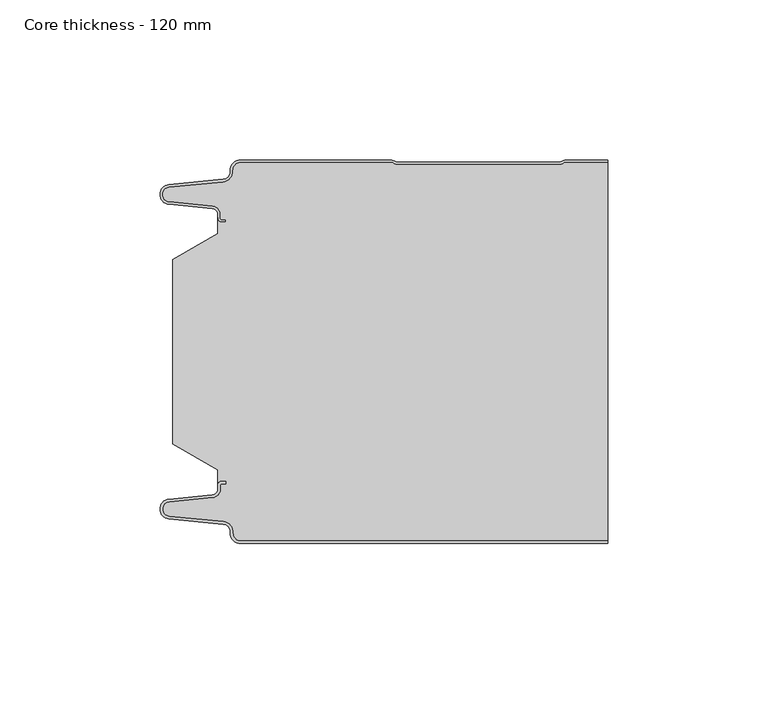
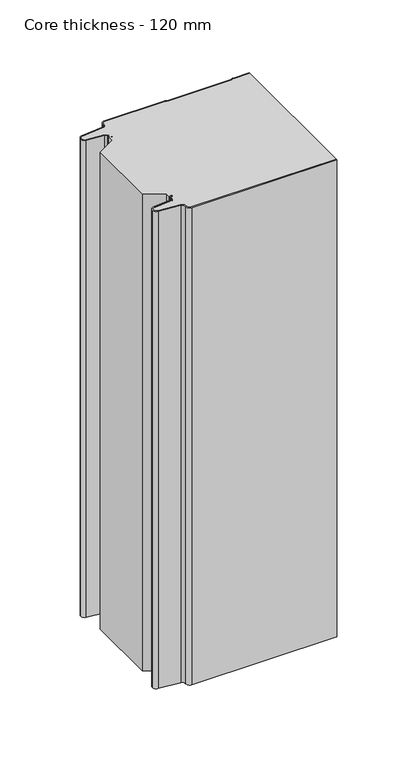
"""IFC4 building model written with IfcOpenShell, lengths in millimetres: plate geometry, Core thickness - 120 mm."""

from ifc_helpers import new_model, si_unit, frame, origin, place, context, project, spatial, polyline, circle_curve, source, transform, mapped, element, save
from ifc_brep_helpers import plane_surface, cylinder_surface, revolved_surface, advanced_brep


def core_thickness_120_mm_09786dd6(model_context):
    return source(origin(), model_context, "Body", "AdvancedBrep", [
        advanced_brep(
        [(-44.8000003, -119.9996949, 0.0), (-47.9923632, -116.5787437, 0.0), (-50.2560431, -113.9171154, 0.0), (-67.2115315, -112.2546153, 0.0), (-69.9999998, -109.1776715, 0.0), (-67.2115315, -106.1007278, 0.0), (-53.6195785, -104.7680252, 0.0), (-51.9952277, -102.9766159, 0.0), (-51.9952277, -101.8996949, 0.0), (-50.5952277, -100.4996949, 0.0), (-49.4952277, -100.4996949, 0.0), (-49.4952277, -101.2996949, 0.0), (-50.5952277, -101.2996949, 0.0), (-51.1952277, -101.8996949, 0.0), (-51.1952277, -102.9766159, 0.0), (-53.5415122, -105.5642071, 0.0), (-67.1334652, -106.8969097, 0.0), (-69.1999997, -109.1776715, 0.0), (-67.1334652, -111.4584333, 0.0), (-50.1779767, -113.1209335, 0.0), (-47.2078761, -116.6330399, 0.0), (-44.8000003, -119.1996949, 0.0), (69.9999998, -119.2, 0.0), (69.9999998, -119.9996949, 0.0), (-44.8000003, -119.1996949, 400.0), (-47.1942724, -116.6339815, 400.0), (-50.1779767, -113.1209335, 400.0), (-67.1334652, -111.4584333, 400.0), (-69.1999997, -109.1776715, 400.0), (-67.1334652, -106.8969097, 400.0), (-53.5415122, -105.5642071, 400.0), (-51.1952277, -102.9766159, 400.0), (-51.1952277, -101.8996949, 400.0), (-50.5952277, -101.2996949, 400.0), (-49.4952277, -101.2996949, 400.0), (-49.4952277, -100.4996949, 400.0), (-50.5952277, -100.4996949, 400.0), (-51.9952277, -101.8996949, 400.0), (-51.9952277, -102.9766159, 400.0), (-53.6195785, -104.7680252, 400.0), (-67.2115315, -106.1007278, 400.0), (-69.9999998, -109.1776715, 400.0), (-67.2115315, -112.2546153, 400.0), (-50.2560431, -113.9171154, 400.0), (-48.0059668, -116.5778021, 400.0), (-44.8000003, -119.9996949, 400.0), (69.9999998, -119.9996949, 400.0), (69.9999998, -119.2, 400.0)],
        [
            (0, 1, circle_curve(frame((-44.8000003, -116.7996949, 0.0), z_axis=(0.0, 0.0, -1.0), x_axis=(1.0, 0.0, 0.0)), 3.2)),
            (1, 2, circle_curve(frame((-50.5000003, -116.4051839, 0.0), z_axis=(0.0, 0.0, 1.0), x_axis=(1.0, 0.0, 0.0)), 2.5)),
            (2, 3),
            (3, 4, circle_curve(frame((-66.9100003, -109.1793626, 0.0), z_axis=(0.0, 0.0, -1.0), x_axis=(1.0, 0.0, 0.0)), 3.09)),
            (4, 5, circle_curve(frame((-66.9100003, -109.1759805, 0.0), z_axis=(0.0, 0.0, -1.0), x_axis=(1.0, 0.0, 0.0)), 3.09)),
            (5, 6),
            (6, 7, circle_curve(frame((-53.7952277, -102.9766159, 0.0), z_axis=(0.0, 0.0, 1.0), x_axis=(1.0, 0.0, 0.0)), 1.8)),
            (7, 8),
            (8, 9, circle_curve(frame((-50.5952277, -101.8996949, 0.0), z_axis=(0.0, 0.0, -1.0), x_axis=(1.0, 0.0, 0.0)), 1.4)),
            (9, 10),
            (10, 11),
            (11, 12),
            (12, 13, circle_curve(frame((-50.5952277, -101.8996949, 0.0), z_axis=(0.0, 0.0, 1.0), x_axis=(1.0, 0.0, 0.0)), 0.6)),
            (13, 14),
            (14, 15, circle_curve(frame((-53.7952277, -102.9766159, 0.0), z_axis=(0.0, 0.0, -1.0), x_axis=(1.0, 0.0, 0.0)), 2.6)),
            (15, 16),
            (16, 17, circle_curve(frame((-66.9100003, -109.1759805, 0.0), z_axis=(0.0, 0.0, 1.0), x_axis=(1.0, 0.0, 0.0)), 2.29)),
            (17, 18, circle_curve(frame((-66.9100003, -109.1793626, 0.0), z_axis=(0.0, 0.0, 1.0), x_axis=(1.0, 0.0, 0.0)), 2.29)),
            (18, 19),
            (19, 20, circle_curve(frame((-50.5000003, -116.4051839, 0.0), z_axis=(0.0, 0.0, -1.0), x_axis=(1.0, 0.0, 0.0)), 3.3)),
            (20, 21, circle_curve(frame((-44.8000003, -116.7996949, 0.0), z_axis=(0.0, 0.0, 1.0), x_axis=(1.0, 0.0, 0.0)), 2.4)),
            (21, 22),
            (22, 23),
            (23, 0),
            (24, 25, circle_curve(frame((-44.8000003, -116.7996949, 400.0), z_axis=(0.0, 0.0, -1.0), x_axis=(1.0, 0.0, 0.0)), 2.4)),
            (25, 26, circle_curve(frame((-50.5000003, -116.4051839, 400.0), z_axis=(0.0, 0.0, 1.0), x_axis=(1.0, 0.0, 0.0)), 3.3)),
            (26, 27),
            (27, 28, circle_curve(frame((-66.9100003, -109.1793626, 400.0), z_axis=(0.0, 0.0, -1.0), x_axis=(1.0, 0.0, 0.0)), 2.29)),
            (28, 29, circle_curve(frame((-66.9100003, -109.1759805, 400.0), z_axis=(0.0, 0.0, -1.0), x_axis=(1.0, 0.0, 0.0)), 2.29)),
            (29, 30),
            (30, 31, circle_curve(frame((-53.7952277, -102.9766159, 400.0), z_axis=(0.0, 0.0, 1.0), x_axis=(1.0, 0.0, 0.0)), 2.6)),
            (31, 32),
            (32, 33, circle_curve(frame((-50.5952277, -101.8996949, 400.0), z_axis=(0.0, 0.0, -1.0), x_axis=(1.0, 0.0, 0.0)), 0.6)),
            (33, 34),
            (34, 35),
            (35, 36),
            (36, 37, circle_curve(frame((-50.5952277, -101.8996949, 400.0), z_axis=(0.0, 0.0, 1.0), x_axis=(1.0, 0.0, 0.0)), 1.4)),
            (37, 38),
            (38, 39, circle_curve(frame((-53.7952277, -102.9766159, 400.0), z_axis=(0.0, 0.0, -1.0), x_axis=(1.0, 0.0, 0.0)), 1.8)),
            (39, 40),
            (40, 41, circle_curve(frame((-66.9100003, -109.1759805, 400.0), z_axis=(0.0, 0.0, 1.0), x_axis=(1.0, 0.0, 0.0)), 3.09)),
            (41, 42, circle_curve(frame((-66.9100003, -109.1793626, 400.0), z_axis=(0.0, 0.0, 1.0), x_axis=(1.0, 0.0, 0.0)), 3.09)),
            (42, 43),
            (43, 44, circle_curve(frame((-50.5000003, -116.4051839, 400.0), z_axis=(0.0, 0.0, -1.0), x_axis=(1.0, 0.0, 0.0)), 2.5)),
            (44, 45, circle_curve(frame((-44.8000003, -116.7996949, 400.0), z_axis=(0.0, 0.0, 1.0), x_axis=(1.0, 0.0, 0.0)), 3.2)),
            (45, 46),
            (46, 47),
            (47, 24),
            (21, 24),
            (47, 22),
            (20, 25),
            (19, 26),
            (18, 27),
            (17, 28),
            (16, 29),
            (15, 30),
            (14, 31),
            (13, 32),
            (12, 33),
            (11, 34),
            (10, 35),
            (9, 36),
            (8, 37),
            (7, 38),
            (6, 39),
            (5, 40),
            (4, 41),
            (3, 42),
            (2, 43),
            (1, 44),
            (0, 45),
            (23, 46),
        ],
        [
            plane_surface(frame((-69.9999998, -120.0, 0.0), z_axis=(0.0, 0.0, -1.0), x_axis=(0.0, 1.0, 0.0))),
            plane_surface(frame((-69.9999998, -120.0, 400.0), z_axis=(0.0, 0.0, 1.0), x_axis=(0.0, 1.0, 0.0))),
            plane_surface(frame((-44.8000003, -119.2, 0.0), z_axis=(0.0, 1.0, 0.0), x_axis=(0.0, 0.0, 1.0))),
            revolved_surface(polyline([(-42.4000003, -116.7996949, 400.0), (-42.4000003, -116.7996949, 0.0)]), (-44.8000003, -116.7996949, 0.0), (0.0, 0.0, 1.0)),
            cylinder_surface(frame((-50.5000003, -116.4051839, 0.0), z_axis=(0.0, 0.0, -1.0), x_axis=(1.0, 0.0, 0.0)), 3.3),
            plane_surface(frame((-67.1334652, -111.4584333, 0.0), z_axis=(0.09758289975914758, 0.9952273999818314, 0.0), x_axis=(0.0, 0.0, 1.0))),
            revolved_surface(polyline([(-64.62000029999999, -109.1793626, 400.0), (-64.62000029999999, -109.1793626, 0.0)]), (-66.9100003, -109.1793626, 0.0), (0.0, 0.0, 1.0)),
            revolved_surface(polyline([(-64.62000029999999, -109.1759805, 400.0), (-64.62000029999999, -109.1759805, 0.0)]), (-66.9100003, -109.1759805, 0.0), (0.0, 0.0, 1.0)),
            plane_surface(frame((-53.5415122, -105.5642071, 0.0), z_axis=(0.09758289975914383, -0.9952273999818317, 0.0), x_axis=(0.0, 0.0, 1.0))),
            cylinder_surface(frame((-53.7952277, -102.9766159, 0.0), z_axis=(0.0, 0.0, -1.0), x_axis=(1.0, 0.0, 0.0)), 2.6),
            plane_surface(frame((-51.1952277, -101.8996949, 0.0), z_axis=(1.0, 0.0, 0.0), x_axis=(0.0, 0.0, 1.0))),
            revolved_surface(polyline([(-49.9952277, -101.8996949, 400.0), (-49.9952277, -101.8996949, 0.0)]), (-50.5952277, -101.8996949, 0.0), (0.0, 0.0, 1.0)),
            plane_surface(frame((-49.4952277, -101.2996949, 0.0), z_axis=(0.0, -1.0, 0.0), x_axis=(0.0, 0.0, 1.0))),
            plane_surface(frame((-49.4952277, -100.4996949, 0.0), z_axis=(1.0, 0.0, 0.0), x_axis=(0.0, 0.0, 1.0))),
            plane_surface(frame((-50.5952277, -100.4996949, 0.0), z_axis=(0.0, 1.0, 0.0), x_axis=(0.0, 0.0, 1.0))),
            cylinder_surface(frame((-50.5952277, -101.8996949, 0.0), z_axis=(0.0, 0.0, -1.0), x_axis=(1.0, 0.0, 0.0)), 1.4),
            plane_surface(frame((-51.9952277, -102.9766159, 0.0), z_axis=(-1.0, 0.0, 0.0), x_axis=(0.0, 0.0, 1.0))),
            revolved_surface(polyline([(-51.9952277, -102.9766159, 400.0), (-51.9952277, -102.9766159, 0.0)]), (-53.7952277, -102.9766159, 0.0), (0.0, 0.0, 1.0)),
            plane_surface(frame((-67.2115315, -106.1007278, 0.0), z_axis=(-0.09758289975914387, 0.9952273999818317, 0.0), x_axis=(0.0, 0.0, 1.0))),
            cylinder_surface(frame((-66.9100003, -109.1759805, 0.0), z_axis=(0.0, 0.0, -1.0), x_axis=(1.0, 0.0, 0.0)), 3.09),
            cylinder_surface(frame((-66.9100003, -109.1793626, 0.0), z_axis=(0.0, 0.0, -1.0), x_axis=(1.0, 0.0, 0.0)), 3.09),
            plane_surface(frame((-50.2560431, -113.9171154, 0.0), z_axis=(-0.09758289975914762, -0.9952273999818314, 0.0), x_axis=(0.0, 0.0, 1.0))),
            revolved_surface(polyline([(-48.0000003, -116.4051839, 400.0), (-48.0000003, -116.4051839, 0.0)]), (-50.5000003, -116.4051839, 0.0), (0.0, 0.0, 1.0)),
            cylinder_surface(frame((-44.8000003, -116.7996949, 0.0), z_axis=(0.0, 0.0, -1.0), x_axis=(1.0, 0.0, 0.0)), 3.2),
            plane_surface(frame((1046.009932, -119.9996949, 0.0), z_axis=(0.0, -1.0, 0.0), x_axis=(0.0, 0.0, 1.0))),
            plane_surface(frame((69.9999998, 180.0, 400.0), z_axis=(1.0, 0.0, 0.0), x_axis=(0.0, 0.0, -1.0))),
        ],
        [
            (0, [[1, 2, 3, 4, 5, 6, 7, 8, 9, 10, 11, 12, 13, 14, 15, 16, 17, 18, 19, 20, 21, 22, 23, 24]]),
            (1, [[25, 26, 27, 28, 29, 30, 31, 32, 33, 34, 35, 36, 37, 38, 39, 40, 41, 42, 43, 44, 45, 46, 47, 48]]),
            (2, [[49, -48, 50, -22]]),
            (3, [[-21, 51, -25, -49]]),
            (4, [[-20, 52, -26, -51]]),
            (5, [[-19, 53, -27, -52]]),
            (6, [[-18, 54, -28, -53]]),
            (7, [[-17, 55, -29, -54]]),
            (8, [[-16, 56, -30, -55]]),
            (9, [[-15, 57, -31, -56]]),
            (10, [[-14, 58, -32, -57]]),
            (11, [[-13, 59, -33, -58]]),
            (12, [[-12, 60, -34, -59]]),
            (13, [[-11, 61, -35, -60]]),
            (14, [[-10, 62, -36, -61]]),
            (15, [[-9, 63, -37, -62]]),
            (16, [[-8, 64, -38, -63]]),
            (17, [[-7, 65, -39, -64]]),
            (18, [[-6, 66, -40, -65]]),
            (19, [[-5, 67, -41, -66]]),
            (20, [[-4, 68, -42, -67]]),
            (21, [[-3, 69, -43, -68]]),
            (22, [[-2, 70, -44, -69]]),
            (23, [[-1, 71, -45, -70]]),
            (24, [[-71, -24, 72, -46]]),
            (25, [[-23, -50, -47, -72]]),
        ],
    ),
        advanced_brep(
        [(-51.9952277, -23.1062917, 400.0), (-66.0446509, -31.1628062, 400.0), (-66.0446509, -88.7531937, 400.0), (-51.9952277, -96.8937083, 400.0), (-51.9952277, -100.4996949, 400.0), (-51.9952277, -101.8996949, 400.0), (-50.5952277, -100.4996949, 400.0), (-49.4952277, -100.4996949, 400.0), (-49.4952277, -101.2996949, 400.0), (-50.5952277, -101.2996949, 400.0), (-51.1952277, -101.8996949, 400.0), (-51.1952277, -102.9766159, 400.0), (-53.5415122, -105.5642071, 400.0), (-67.1334652, -106.8969097, 400.0), (-69.1999997, -109.1776715, 400.0), (-67.1334652, -111.4584333, 400.0), (-50.1779767, -113.1209335, 400.0), (-47.2078761, -116.6330399, 400.0), (-44.8000003, -119.1996949, 400.0), (69.9999998, -119.2, 400.0), (69.9999998, -0.8, 400.0), (57.0487965, -0.8, 400.0), (55.9973806, -1.0986697, 400.0), (54.5769997, -1.5003051, 400.0), (4.4172165, -1.5003051, 400.0), (2.9978051, -1.0971009, 400.0), (1.9454197, -0.8, 400.0), (-44.8000003, -0.8, 400.0), (-47.1942724, -3.3660185, 400.0), (-50.1779767, -6.8790665, 400.0), (-67.1334652, -8.5415667, 400.0), (-69.1999997, -10.8223285, 400.0), (-67.1334652, -13.1030903, 400.0), (-53.5415122, -14.4357929, 400.0), (-51.1952277, -17.0233841, 400.0), (-51.1952277, -18.1003051, 400.0), (-50.5952277, -18.7003051, 400.0), (-49.4952277, -18.7003051, 400.0), (-49.4952277, -19.5003051, 400.0), (-50.5952277, -19.5003051, 400.0), (-51.9952277, -18.1003051, 400.0), (-51.9952277, -19.5003051, 400.0), (-51.9952277, -96.8937083, 0.0), (-66.0446509, -88.7531937, 0.0), (-66.0446509, -31.1628062, 0.0), (-51.9952277, -23.1062917, 0.0), (-51.9952277, -19.5003051, 0.0), (-51.9952277, -18.1003051, 0.0), (-50.5952277, -19.5003051, 0.0), (-49.4952277, -19.5003051, 0.0), (-49.4952277, -18.7003051, 0.0), (-50.5952277, -18.7003051, 0.0), (-51.1952277, -18.1003051, 0.0), (-51.1952277, -17.0233841, 0.0), (-53.5415122, -14.4357929, 0.0), (-67.1334652, -13.1030903, 0.0), (-69.1999997, -10.8223285, 0.0), (-67.1334652, -8.5415667, 0.0), (-50.1779767, -6.8790665, 0.0), (-47.2078761, -3.3669601, 0.0), (-44.8000003, -0.8003051, 0.0), (1.9454197, -0.8, 0.0), (2.9968355, -1.0986697, 0.0), (4.4172165, -1.5003051, 0.0), (54.5769997, -1.5003051, 0.0), (55.9964111, -1.0971009, 0.0), (57.0487965, -0.8, 0.0), (69.9999998, -0.8, 0.0), (69.9999998, -119.2, 0.0), (-44.8000003, -119.2, 0.0), (-47.1942724, -116.6339815, 0.0), (-50.1779767, -113.1209335, 0.0), (-67.1334652, -111.4584333, 0.0), (-69.1999997, -109.1776715, 0.0), (-67.1334652, -106.8969097, 0.0), (-53.5415122, -105.5642071, 0.0), (-51.1952277, -102.9766159, 0.0), (-51.1952277, -101.8996949, 0.0), (-50.5952277, -101.2996949, 0.0), (-49.4952277, -101.2996949, 0.0), (-49.4952277, -100.4996949, 0.0), (-50.5952277, -100.4996949, 0.0), (-51.9952277, -101.8996949, 0.0), (-51.9952277, -100.4996949, 0.0)],
        [
            (0, 1),
            (1, 2),
            (2, 3),
            (3, 4),
            (4, 5),
            (5, 6, circle_curve(frame((-50.5952277, -101.8996949, 400.0), z_axis=(0.0, 0.0, -1.0), x_axis=(1.0, 0.0, 0.0)), 1.4)),
            (6, 7),
            (7, 8),
            (8, 9),
            (9, 10, circle_curve(frame((-50.5952277, -101.8996949, 400.0), z_axis=(0.0, 0.0, 1.0), x_axis=(1.0, 0.0, 0.0)), 0.6)),
            (10, 11),
            (11, 12, circle_curve(frame((-53.7952277, -102.9766159, 400.0), z_axis=(0.0, 0.0, -1.0), x_axis=(1.0, 0.0, 0.0)), 2.6)),
            (12, 13),
            (13, 14, circle_curve(frame((-66.9100003, -109.1759805, 400.0), z_axis=(0.0, 0.0, 1.0), x_axis=(1.0, 0.0, 0.0)), 2.29)),
            (14, 15, circle_curve(frame((-66.9100003, -109.1793626, 400.0), z_axis=(0.0, 0.0, 1.0), x_axis=(1.0, 0.0, 0.0)), 2.29)),
            (15, 16),
            (16, 17, circle_curve(frame((-50.5000003, -116.4051839, 400.0), z_axis=(0.0, 0.0, -1.0), x_axis=(1.0, 0.0, 0.0)), 3.3)),
            (17, 18, circle_curve(frame((-44.8000003, -116.7996949, 400.0), z_axis=(0.0, 0.0, 1.0), x_axis=(1.0, 0.0, 0.0)), 2.4)),
            (18, 19),
            (19, 20),
            (20, 21),
            (21, 22, circle_curve(frame((57.0487965, -2.8, 400.0), z_axis=(0.0, 0.0, 1.0), x_axis=(1.0, 0.0, 0.0)), 2.0)),
            (22, 23, circle_curve(frame((54.5769997, 1.1996949, 400.0), z_axis=(0.0, 0.0, -1.0), x_axis=(1.0, 0.0, 0.0)), 2.7)),
            (23, 24),
            (24, 25, circle_curve(frame((4.4172165, 1.1996949, 400.0), z_axis=(0.0, 0.0, -1.0), x_axis=(1.0, 0.0, 0.0)), 2.7)),
            (25, 26, circle_curve(frame((1.9454197, -2.8, 400.0), z_axis=(0.0, 0.0, 1.0), x_axis=(1.0, 0.0, 0.0)), 2.0)),
            (26, 27),
            (27, 28, circle_curve(frame((-44.8000003, -3.2003051, 400.0), z_axis=(0.0, 0.0, 1.0), x_axis=(1.0, 0.0, 0.0)), 2.4)),
            (28, 29, circle_curve(frame((-50.5000003, -3.5948161, 400.0), z_axis=(0.0, 0.0, -1.0), x_axis=(1.0, 0.0, 0.0)), 3.3)),
            (29, 30),
            (30, 31, circle_curve(frame((-66.9100003, -10.8206374, 400.0), z_axis=(0.0, 0.0, 1.0), x_axis=(1.0, 0.0, 0.0)), 2.29)),
            (31, 32, circle_curve(frame((-66.9100003, -10.8240195, 400.0), z_axis=(0.0, 0.0, 1.0), x_axis=(1.0, 0.0, 0.0)), 2.29)),
            (32, 33),
            (33, 34, circle_curve(frame((-53.7952277, -17.0233841, 400.0), z_axis=(0.0, 0.0, -1.0), x_axis=(1.0, 0.0, 0.0)), 2.6)),
            (34, 35),
            (35, 36, circle_curve(frame((-50.5952277, -18.1003051, 400.0), z_axis=(0.0, 0.0, 1.0), x_axis=(1.0, 0.0, 0.0)), 0.6)),
            (36, 37),
            (37, 38),
            (38, 39),
            (39, 40, circle_curve(frame((-50.5952277, -18.1003051, 400.0), z_axis=(0.0, 0.0, -1.0), x_axis=(1.0, 0.0, 0.0)), 1.4)),
            (40, 41),
            (41, 0),
            (42, 43),
            (43, 44),
            (44, 45),
            (45, 46),
            (46, 47),
            (47, 48, circle_curve(frame((-50.5952277, -18.1003051, 0.0), z_axis=(0.0, 0.0, 1.0), x_axis=(1.0, 0.0, 0.0)), 1.4)),
            (48, 49),
            (49, 50),
            (50, 51),
            (51, 52, circle_curve(frame((-50.5952277, -18.1003051, 0.0), z_axis=(0.0, 0.0, -1.0), x_axis=(1.0, 0.0, 0.0)), 0.6)),
            (52, 53),
            (53, 54, circle_curve(frame((-53.7952277, -17.0233841, 0.0), z_axis=(0.0, 0.0, 1.0), x_axis=(1.0, 0.0, 0.0)), 2.6)),
            (54, 55),
            (55, 56, circle_curve(frame((-66.9100003, -10.8240195, 0.0), z_axis=(0.0, 0.0, -1.0), x_axis=(1.0, 0.0, 0.0)), 2.29)),
            (56, 57, circle_curve(frame((-66.9100003, -10.8206374, 0.0), z_axis=(0.0, 0.0, -1.0), x_axis=(1.0, 0.0, 0.0)), 2.29)),
            (57, 58),
            (58, 59, circle_curve(frame((-50.5000003, -3.5948161, 0.0), z_axis=(0.0, 0.0, 1.0), x_axis=(1.0, 0.0, 0.0)), 3.3)),
            (59, 60, circle_curve(frame((-44.8000003, -3.2003051, 0.0), z_axis=(0.0, 0.0, -1.0), x_axis=(1.0, 0.0, 0.0)), 2.4)),
            (60, 61),
            (61, 62, circle_curve(frame((1.9454197, -2.8, 0.0), z_axis=(0.0, 0.0, -1.0), x_axis=(1.0, 0.0, 0.0)), 2.0)),
            (62, 63, circle_curve(frame((4.4172165, 1.1996949, 0.0), z_axis=(0.0, 0.0, 1.0), x_axis=(1.0, 0.0, 0.0)), 2.7)),
            (63, 64),
            (64, 65, circle_curve(frame((54.5769997, 1.1996949, 0.0), z_axis=(0.0, 0.0, 1.0), x_axis=(1.0, 0.0, 0.0)), 2.7)),
            (65, 66, circle_curve(frame((57.0487965, -2.8, 0.0), z_axis=(0.0, 0.0, -1.0), x_axis=(1.0, 0.0, 0.0)), 2.0)),
            (66, 67),
            (67, 68),
            (68, 69),
            (69, 70, circle_curve(frame((-44.8000003, -116.7996949, 0.0), z_axis=(0.0, 0.0, -1.0), x_axis=(1.0, 0.0, 0.0)), 2.4)),
            (70, 71, circle_curve(frame((-50.5000003, -116.4051839, 0.0), z_axis=(0.0, 0.0, 1.0), x_axis=(1.0, 0.0, 0.0)), 3.3)),
            (71, 72),
            (72, 73, circle_curve(frame((-66.9100003, -109.1793626, 0.0), z_axis=(0.0, 0.0, -1.0), x_axis=(1.0, 0.0, 0.0)), 2.29)),
            (73, 74, circle_curve(frame((-66.9100003, -109.1759805, 0.0), z_axis=(0.0, 0.0, -1.0), x_axis=(1.0, 0.0, 0.0)), 2.29)),
            (74, 75),
            (75, 76, circle_curve(frame((-53.7952277, -102.9766159, 0.0), z_axis=(0.0, 0.0, 1.0), x_axis=(1.0, 0.0, 0.0)), 2.6)),
            (76, 77),
            (77, 78, circle_curve(frame((-50.5952277, -101.8996949, 0.0), z_axis=(0.0, 0.0, -1.0), x_axis=(1.0, 0.0, 0.0)), 0.6)),
            (78, 79),
            (79, 80),
            (80, 81),
            (81, 82, circle_curve(frame((-50.5952277, -101.8996949, 0.0), z_axis=(0.0, 0.0, 1.0), x_axis=(1.0, 0.0, 0.0)), 1.4)),
            (82, 83),
            (83, 42),
            (45, 0),
            (40, 47),
            (1, 44),
            (43, 2),
            (42, 3),
            (82, 5),
            (18, 69),
            (68, 19),
            (17, 70),
            (16, 71),
            (15, 72),
            (14, 73),
            (13, 74),
            (12, 75),
            (11, 76),
            (10, 77),
            (9, 78),
            (8, 79),
            (7, 80),
            (6, 81),
            (60, 27),
            (26, 61),
            (25, 62),
            (24, 63),
            (23, 64),
            (22, 65),
            (21, 66),
            (20, 67),
            (39, 48),
            (38, 49),
            (37, 50),
            (36, 51),
            (35, 52),
            (34, 53),
            (33, 54),
            (32, 55),
            (31, 56),
            (30, 57),
            (29, 58),
            (28, 59),
        ],
        [
            plane_surface(frame((-69.9999998, 0.0, 400.0), z_axis=(0.0, 0.0, 1.0), x_axis=(0.0, -1.0, 0.0))),
            plane_surface(frame((-69.9999998, 0.0, 0.0), z_axis=(0.0, 0.0, -1.0), x_axis=(0.0, -1.0, 0.0))),
            plane_surface(frame((-51.9952277, -17.0229218, 400.0), z_axis=(-1.0, 0.0, 0.0), x_axis=(0.0, 0.0, -1.0))),
            plane_surface(frame((-66.0446509, -31.1628062, 400.0), z_axis=(-1.0, 0.0, 0.0), x_axis=(0.0, 0.0, -1.0))),
            plane_surface(frame((-51.9952277, -23.1062917, 400.0), z_axis=(-0.4974543664933155, 0.8674901459133322, 0.0), x_axis=(0.0, 0.0, -1.0))),
            plane_surface(frame((-66.0446509, -88.7531937, 400.0), z_axis=(-0.5013424225369607, -0.8652489672717164, 0.0), x_axis=(0.0, 0.0, -1.0))),
            plane_surface(frame((-51.9952277, -96.8937083, 400.0), z_axis=(-1.0, 0.0, 0.0), x_axis=(0.0, 0.0, -1.0))),
            plane_surface(frame((1046.009932, -119.2, 530.0), z_axis=(0.0, -1.0, 0.0), x_axis=(0.0, 0.0, -1.0))),
            cylinder_surface(frame((-44.8000003, -116.7996949, 530.0), z_axis=(0.0, 0.0, -1.0), x_axis=(1.0, 0.0, 0.0)), 2.4),
            revolved_surface(polyline([(-47.200000300000006, -116.4051839, 400.0), (-47.200000300000006, -116.4051839, 0.0)]), (-50.5000003, -116.4051839, 530.0), (0.0, 0.0, 1.0)),
            plane_surface(frame((-50.1779767, -113.1209335, 530.0), z_axis=(-0.09758289975914758, -0.9952273999818314, 0.0), x_axis=(0.0, 0.0, -1.0))),
            cylinder_surface(frame((-66.9100003, -109.1793626, 530.0), z_axis=(0.0, 0.0, -1.0), x_axis=(1.0, 0.0, 0.0)), 2.29),
            cylinder_surface(frame((-66.9100003, -109.1759805, 530.0), z_axis=(0.0, 0.0, -1.0), x_axis=(1.0, 0.0, 0.0)), 2.29),
            plane_surface(frame((-67.1334652, -106.8969097, 530.0), z_axis=(-0.09758289975914383, 0.9952273999818317, 0.0), x_axis=(0.0, 0.0, -1.0))),
            revolved_surface(polyline([(-51.1952277, -102.9766159, 400.0), (-51.1952277, -102.9766159, 0.0)]), (-53.7952277, -102.9766159, 530.0), (0.0, 0.0, 1.0)),
            plane_surface(frame((-51.1952277, -102.9766159, 530.0), z_axis=(-1.0, 0.0, 0.0), x_axis=(0.0, 0.0, -1.0))),
            cylinder_surface(frame((-50.5952277, -101.8996949, 530.0), z_axis=(0.0, 0.0, -1.0), x_axis=(1.0, 0.0, 0.0)), 0.6),
            plane_surface(frame((-50.5952277, -101.2996949, 530.0), z_axis=(0.0, 1.0, 0.0), x_axis=(0.0, 0.0, -1.0))),
            plane_surface(frame((-49.4952277, -101.2996949, 530.0), z_axis=(-1.0, 0.0, 0.0), x_axis=(0.0, 0.0, -1.0))),
            plane_surface(frame((-49.4952277, -100.4996949, 530.0), z_axis=(0.0, -1.0, 0.0), x_axis=(0.0, 0.0, -1.0))),
            revolved_surface(polyline([(-49.195227700000004, -101.8996949, 400.0), (-49.195227700000004, -101.8996949, 0.0)]), (-50.5952277, -101.8996949, 530.0), (0.0, 0.0, 1.0)),
            plane_surface(frame((-44.8000003, -0.8, 530.0), z_axis=(0.0, 1.0, 0.0), x_axis=(0.0, 0.0, -1.0))),
            cylinder_surface(frame((1.9454197, -2.8, 530.0), z_axis=(0.0, 0.0, -1.0), x_axis=(1.0, 0.0, 0.0)), 2.0),
            revolved_surface(polyline([(7.1172165000000005, 1.1996949, 400.0), (7.1172165000000005, 1.1996949, 0.0)]), (4.4172165, 1.1996949, 530.0), (0.0, 0.0, 1.0)),
            plane_surface(frame((4.4172165, -1.5003051, 530.0), z_axis=(0.0, 1.0, 0.0), x_axis=(0.0, 0.0, -1.0))),
            revolved_surface(polyline([(57.276999700000005, 1.1996949, 400.0), (57.276999700000005, 1.1996949, 0.0)]), (54.5769997, 1.1996949, 530.0), (0.0, 0.0, 1.0)),
            cylinder_surface(frame((57.0487965, -2.8, 530.0), z_axis=(0.0, 0.0, -1.0), x_axis=(1.0, 0.0, 0.0)), 2.0),
            plane_surface(frame((57.0487965, -0.8, 530.0), z_axis=(0.0, 1.0, 0.0), x_axis=(0.0, 0.0, -1.0))),
            revolved_surface(polyline([(-49.195227700000004, -18.1003051, 400.0), (-49.195227700000004, -18.1003051, 0.0)]), (-50.5952277, -18.1003051, 530.0), (0.0, 0.0, 1.0)),
            plane_surface(frame((-50.5952277, -19.5003051, 530.0), z_axis=(0.0, 1.0, 0.0), x_axis=(0.0, 0.0, -1.0))),
            plane_surface(frame((-49.4952277, -19.5003051, 530.0), z_axis=(-1.0, 0.0, 0.0), x_axis=(0.0, 0.0, -1.0))),
            plane_surface(frame((-49.4952277, -18.7003051, 530.0), z_axis=(0.0, -1.0, 0.0), x_axis=(0.0, 0.0, -1.0))),
            cylinder_surface(frame((-50.5952277, -18.1003051, 530.0), z_axis=(0.0, 0.0, -1.0), x_axis=(1.0, 0.0, 0.0)), 0.6),
            plane_surface(frame((-51.1952277, -18.1003051, 530.0), z_axis=(-1.0, 0.0, 0.0), x_axis=(0.0, 0.0, -1.0))),
            revolved_surface(polyline([(-51.1952277, -17.0233841, 400.0), (-51.1952277, -17.0233841, 0.0)]), (-53.7952277, -17.0233841, 530.0), (0.0, 0.0, 1.0)),
            plane_surface(frame((-53.5415122, -14.4357929, 530.0), z_axis=(-0.09758289975914705, -0.9952273999818314, 0.0), x_axis=(0.0, 0.0, -1.0))),
            cylinder_surface(frame((-66.9100003, -10.8240195, 530.0), z_axis=(0.0, 0.0, -1.0), x_axis=(1.0, 0.0, 0.0)), 2.29),
            cylinder_surface(frame((-66.9100003, -10.8206374, 530.0), z_axis=(0.0, 0.0, -1.0), x_axis=(1.0, 0.0, 0.0)), 2.29),
            plane_surface(frame((-67.1334652, -8.5415667, 530.0), z_axis=(-0.09758289975914436, 0.9952273999818317, 0.0), x_axis=(0.0, 0.0, -1.0))),
            revolved_surface(polyline([(-47.200000300000006, -3.5948161, 400.0), (-47.200000300000006, -3.5948161, 0.0)]), (-50.5000003, -3.5948161, 530.0), (0.0, 0.0, 1.0)),
            cylinder_surface(frame((-44.8000003, -3.2003051, 530.0), z_axis=(0.0, 0.0, -1.0), x_axis=(1.0, 0.0, 0.0)), 2.4),
            plane_surface(frame((69.9999998, 180.0, 400.0), z_axis=(1.0, 0.0, 0.0), x_axis=(0.0, 0.0, -1.0))),
        ],
        [
            (0, [[1, 2, 3, 4, 5, 6, 7, 8, 9, 10, 11, 12, 13, 14, 15, 16, 17, 18, 19, 20, 21, 22, 23, 24, 25, 26, 27, 28, 29, 30, 31, 32, 33, 34, 35, 36, 37, 38, 39, 40, 41, 42]]),
            (1, [[43, 44, 45, 46, 47, 48, 49, 50, 51, 52, 53, 54, 55, 56, 57, 58, 59, 60, 61, 62, 63, 64, 65, 66, 67, 68, 69, 70, 71, 72, 73, 74, 75, 76, 77, 78, 79, 80, 81, 82, 83, 84]]),
            (2, [[85, -42, -41, 86, -47, -46]]),
            (3, [[-2, 87, -44, 88]]),
            (4, [[-1, -85, -45, -87]]),
            (5, [[-3, -88, -43, 89]]),
            (6, [[-89, -84, -83, 90, -5, -4]]),
            (7, [[91, -69, 92, -19]]),
            (8, [[-91, -18, 93, -70]]),
            (9, [[-93, -17, 94, -71]]),
            (10, [[-94, -16, 95, -72]]),
            (11, [[-95, -15, 96, -73]]),
            (12, [[-96, -14, 97, -74]]),
            (13, [[-97, -13, 98, -75]]),
            (14, [[-98, -12, 99, -76]]),
            (15, [[-99, -11, 100, -77]]),
            (16, [[-100, -10, 101, -78]]),
            (17, [[-101, -9, 102, -79]]),
            (18, [[-102, -8, 103, -80]]),
            (19, [[-103, -7, 104, -81]]),
            (20, [[-104, -6, -90, -82]]),
            (21, [[105, -27, 106, -61]]),
            (22, [[-106, -26, 107, -62]]),
            (23, [[-107, -25, 108, -63]]),
            (24, [[-108, -24, 109, -64]]),
            (25, [[-109, -23, 110, -65]]),
            (26, [[-110, -22, 111, -66]]),
            (27, [[-111, -21, 112, -67]]),
            (28, [[113, -48, -86, -40]]),
            (29, [[-113, -39, 114, -49]]),
            (30, [[-114, -38, 115, -50]]),
            (31, [[-115, -37, 116, -51]]),
            (32, [[-116, -36, 117, -52]]),
            (33, [[-117, -35, 118, -53]]),
            (34, [[-118, -34, 119, -54]]),
            (35, [[-119, -33, 120, -55]]),
            (36, [[-120, -32, 121, -56]]),
            (37, [[-121, -31, 122, -57]]),
            (38, [[-122, -30, 123, -58]]),
            (39, [[-123, -29, 124, -59]]),
            (40, [[-105, -60, -124, -28]]),
            (41, [[-92, -68, -112, -20]]),
        ],
    ),
        advanced_brep(
        [(2.9968355, -1.0986697, 0.0), (1.9454197, -0.8, 0.0), (-44.8000003, -0.8, 0.0), (-47.1942724, -3.3660185, 0.0), (-50.1779767, -6.8790665, 0.0), (-67.1334652, -8.5415667, 0.0), (-69.1999997, -10.8223285, 0.0), (-67.1334652, -13.1030903, 0.0), (-53.5415122, -14.4357929, 0.0), (-51.1952277, -17.0233841, 0.0), (-51.1952277, -18.1003051, 0.0), (-50.5952277, -18.7003051, 0.0), (-49.4952277, -18.7003051, 0.0), (-49.4952277, -19.5003051, 0.0), (-50.5952277, -19.5003051, 0.0), (-51.9952277, -18.1003051, 0.0), (-51.9952277, -17.0233841, 0.0), (-53.6195785, -15.2319748, 0.0), (-67.2115315, -13.8992722, 0.0), (-69.9999998, -10.8223285, 0.0), (-67.2115315, -7.7453847, 0.0), (-50.2560431, -6.0828846, 0.0), (-48.0059668, -3.4221979, 0.0), (-44.8000003, -0.0003051, 0.0), (1.9454197, -0.0003051, 0.0), (3.3647528, -0.4034608, 0.0), (4.4172165, -0.7003051, 0.0), (54.5769997, -0.7003051, 0.0), (55.6283575, -0.4016712, 0.0), (57.0487965, -0.0003051, 0.0), (69.9999998, -0.0003051, 0.0), (69.9999998, -0.8, 0.0), (57.0487965, -0.8, 0.0), (55.9973806, -1.0986697, 0.0), (54.5769997, -1.5003051, 0.0), (4.4172165, -1.5003051, 0.0), (2.9978051, -1.0971009, 400.0), (4.4172165, -1.5003051, 400.0), (54.5769997, -1.5003051, 400.0), (55.9964111, -1.0971009, 400.0), (57.0487965, -0.8, 400.0), (69.9999998, -0.8, 400.0), (69.9999998, -0.0003051, 400.0), (57.0487965, -0.0003051, 400.0), (55.6294634, -0.4034608, 400.0), (54.5769997, -0.7003051, 400.0), (4.4172165, -0.7003051, 400.0), (3.3658586, -0.4016712, 400.0), (1.9454197, -0.0003051, 400.0), (-44.8000003, -0.0003051, 400.0), (-47.9923632, -3.4212563, 400.0), (-50.2560431, -6.0828846, 400.0), (-67.2115315, -7.7453847, 400.0), (-69.9999998, -10.8223285, 400.0), (-67.2115315, -13.8992722, 400.0), (-53.6195785, -15.2319748, 400.0), (-51.9952277, -17.0233841, 400.0), (-51.9952277, -18.1003051, 400.0), (-50.5952277, -19.5003051, 400.0), (-49.4952277, -19.5003051, 400.0), (-49.4952277, -18.7003051, 400.0), (-50.5952277, -18.7003051, 400.0), (-51.1952277, -18.1003051, 400.0), (-51.1952277, -17.0233841, 400.0), (-53.5415122, -14.4357929, 400.0), (-67.1334652, -13.1030903, 400.0), (-69.1999997, -10.8223285, 400.0), (-67.1334652, -8.5415667, 400.0), (-50.1779767, -6.8790665, 400.0), (-47.2078761, -3.3669601, 400.0), (-44.8000003, -0.8003051, 400.0), (1.9454197, -0.8, 400.0)],
        [
            (0, 1, circle_curve(frame((1.9454197, -2.8, 0.0), z_axis=(0.0, 0.0, 1.0), x_axis=(1.0, 0.0, 0.0)), 2.0)),
            (1, 2),
            (2, 3, circle_curve(frame((-44.8000003, -3.2003051, 0.0), z_axis=(0.0, 0.0, 1.0), x_axis=(1.0, 0.0, 0.0)), 2.4)),
            (3, 4, circle_curve(frame((-50.5000003, -3.5948161, 0.0), z_axis=(0.0, 0.0, -1.0), x_axis=(1.0, 0.0, 0.0)), 3.3)),
            (4, 5),
            (5, 6, circle_curve(frame((-66.9100003, -10.8206374, 0.0), z_axis=(0.0, 0.0, 1.0), x_axis=(1.0, 0.0, 0.0)), 2.29)),
            (6, 7, circle_curve(frame((-66.9100003, -10.8240195, 0.0), z_axis=(0.0, 0.0, 1.0), x_axis=(1.0, 0.0, 0.0)), 2.29)),
            (7, 8),
            (8, 9, circle_curve(frame((-53.7952277, -17.0233841, 0.0), z_axis=(0.0, 0.0, -1.0), x_axis=(1.0, 0.0, 0.0)), 2.6)),
            (9, 10),
            (10, 11, circle_curve(frame((-50.5952277, -18.1003051, 0.0), z_axis=(0.0, 0.0, 1.0), x_axis=(1.0, 0.0, 0.0)), 0.6)),
            (11, 12),
            (12, 13),
            (13, 14),
            (14, 15, circle_curve(frame((-50.5952277, -18.1003051, 0.0), z_axis=(0.0, 0.0, -1.0), x_axis=(1.0, 0.0, 0.0)), 1.4)),
            (15, 16),
            (16, 17, circle_curve(frame((-53.7952277, -17.0233841, 0.0), z_axis=(0.0, 0.0, 1.0), x_axis=(1.0, 0.0, 0.0)), 1.8)),
            (17, 18),
            (18, 19, circle_curve(frame((-66.9100003, -10.8240195, 0.0), z_axis=(0.0, 0.0, -1.0), x_axis=(1.0, 0.0, 0.0)), 3.09)),
            (19, 20, circle_curve(frame((-66.9100003, -10.8206374, 0.0), z_axis=(0.0, 0.0, -1.0), x_axis=(1.0, 0.0, 0.0)), 3.09)),
            (20, 21),
            (21, 22, circle_curve(frame((-50.5000003, -3.5948161, 0.0), z_axis=(0.0, 0.0, 1.0), x_axis=(1.0, 0.0, 0.0)), 2.5)),
            (22, 23, circle_curve(frame((-44.8000003, -3.2003051, 0.0), z_axis=(0.0, 0.0, -1.0), x_axis=(1.0, 0.0, 0.0)), 3.2)),
            (23, 24),
            (24, 25, circle_curve(frame((1.9454197, -2.7003051, 0.0), z_axis=(0.0, 0.0, -1.0), x_axis=(1.0, 0.0, 0.0)), 2.7)),
            (25, 26, circle_curve(frame((4.4172165, 1.2996949, 0.0), z_axis=(0.0, 0.0, 1.0), x_axis=(1.0, 0.0, 0.0)), 2.0)),
            (26, 27),
            (27, 28, circle_curve(frame((54.5769997, 1.2996949, 0.0), z_axis=(0.0, 0.0, 1.0), x_axis=(1.0, 0.0, 0.0)), 2.0)),
            (28, 29, circle_curve(frame((57.0487965, -2.7003051, 0.0), z_axis=(0.0, 0.0, -1.0), x_axis=(1.0, 0.0, 0.0)), 2.7)),
            (29, 30),
            (30, 31),
            (31, 32),
            (32, 33, circle_curve(frame((57.0487965, -2.8, 0.0), z_axis=(0.0, 0.0, 1.0), x_axis=(1.0, 0.0, 0.0)), 2.0)),
            (33, 34, circle_curve(frame((54.5769997, 1.1996949, 0.0), z_axis=(0.0, 0.0, -1.0), x_axis=(1.0, 0.0, 0.0)), 2.7)),
            (34, 35),
            (35, 0, circle_curve(frame((4.4172165, 1.1996949, 0.0), z_axis=(0.0, 0.0, -1.0), x_axis=(1.0, 0.0, 0.0)), 2.7)),
            (36, 37, circle_curve(frame((4.4172165, 1.1996949, 400.0), z_axis=(0.0, 0.0, 1.0), x_axis=(1.0, 0.0, 0.0)), 2.7)),
            (37, 38),
            (38, 39, circle_curve(frame((54.5769997, 1.1996949, 400.0), z_axis=(0.0, 0.0, 1.0), x_axis=(1.0, 0.0, 0.0)), 2.7)),
            (39, 40, circle_curve(frame((57.0487965, -2.8, 400.0), z_axis=(0.0, 0.0, -1.0), x_axis=(1.0, 0.0, 0.0)), 2.0)),
            (40, 41),
            (41, 42),
            (42, 43),
            (43, 44, circle_curve(frame((57.0487965, -2.7003051, 400.0), z_axis=(0.0, 0.0, 1.0), x_axis=(1.0, 0.0, 0.0)), 2.7)),
            (44, 45, circle_curve(frame((54.5769997, 1.2996949, 400.0), z_axis=(0.0, 0.0, -1.0), x_axis=(1.0, 0.0, 0.0)), 2.0)),
            (45, 46),
            (46, 47, circle_curve(frame((4.4172165, 1.2996949, 400.0), z_axis=(0.0, 0.0, -1.0), x_axis=(1.0, 0.0, 0.0)), 2.0)),
            (47, 48, circle_curve(frame((1.9454197, -2.7003051, 400.0), z_axis=(0.0, 0.0, 1.0), x_axis=(1.0, 0.0, 0.0)), 2.7)),
            (48, 49),
            (49, 50, circle_curve(frame((-44.8000003, -3.2003051, 400.0), z_axis=(0.0, 0.0, 1.0), x_axis=(1.0, 0.0, 0.0)), 3.2)),
            (50, 51, circle_curve(frame((-50.5000003, -3.5948161, 400.0), z_axis=(0.0, 0.0, -1.0), x_axis=(1.0, 0.0, 0.0)), 2.5)),
            (51, 52),
            (52, 53, circle_curve(frame((-66.9100003, -10.8206374, 400.0), z_axis=(0.0, 0.0, 1.0), x_axis=(1.0, 0.0, 0.0)), 3.09)),
            (53, 54, circle_curve(frame((-66.9100003, -10.8240195, 400.0), z_axis=(0.0, 0.0, 1.0), x_axis=(1.0, 0.0, 0.0)), 3.09)),
            (54, 55),
            (55, 56, circle_curve(frame((-53.7952277, -17.0233841, 400.0), z_axis=(0.0, 0.0, -1.0), x_axis=(1.0, 0.0, 0.0)), 1.8)),
            (56, 57),
            (57, 58, circle_curve(frame((-50.5952277, -18.1003051, 400.0), z_axis=(0.0, 0.0, 1.0), x_axis=(1.0, 0.0, 0.0)), 1.4)),
            (58, 59),
            (59, 60),
            (60, 61),
            (61, 62, circle_curve(frame((-50.5952277, -18.1003051, 400.0), z_axis=(0.0, 0.0, -1.0), x_axis=(1.0, 0.0, 0.0)), 0.6)),
            (62, 63),
            (63, 64, circle_curve(frame((-53.7952277, -17.0233841, 400.0), z_axis=(0.0, 0.0, 1.0), x_axis=(1.0, 0.0, 0.0)), 2.6)),
            (64, 65),
            (65, 66, circle_curve(frame((-66.9100003, -10.8240195, 400.0), z_axis=(0.0, 0.0, -1.0), x_axis=(1.0, 0.0, 0.0)), 2.29)),
            (66, 67, circle_curve(frame((-66.9100003, -10.8206374, 400.0), z_axis=(0.0, 0.0, -1.0), x_axis=(1.0, 0.0, 0.0)), 2.29)),
            (67, 68),
            (68, 69, circle_curve(frame((-50.5000003, -3.5948161, 400.0), z_axis=(0.0, 0.0, 1.0), x_axis=(1.0, 0.0, 0.0)), 3.3)),
            (69, 70, circle_curve(frame((-44.8000003, -3.2003051, 400.0), z_axis=(0.0, 0.0, -1.0), x_axis=(1.0, 0.0, 0.0)), 2.4)),
            (70, 71),
            (71, 36, circle_curve(frame((1.9454197, -2.8, 400.0), z_axis=(0.0, 0.0, -1.0), x_axis=(1.0, 0.0, 0.0)), 2.0)),
            (0, 36),
            (71, 1),
            (70, 2),
            (69, 3),
            (68, 4),
            (67, 5),
            (66, 6),
            (65, 7),
            (64, 8),
            (63, 9),
            (62, 10),
            (61, 11),
            (60, 12),
            (59, 13),
            (58, 14),
            (57, 15),
            (56, 16),
            (55, 17),
            (54, 18),
            (53, 19),
            (52, 20),
            (51, 21),
            (50, 22),
            (49, 23),
            (48, 24),
            (47, 25),
            (46, 26),
            (45, 27),
            (44, 28),
            (43, 29),
            (42, 30),
            (40, 32),
            (31, 41),
            (39, 33),
            (38, 34),
            (37, 35),
        ],
        [
            plane_surface(frame((-69.9999998, 0.0, 0.0), z_axis=(0.0, 0.0, -1.0), x_axis=(0.0, -1.0, 0.0))),
            plane_surface(frame((-69.9999998, 0.0, 400.0), z_axis=(0.0, 0.0, 1.0), x_axis=(0.0, -1.0, 0.0))),
            revolved_surface(polyline([(3.9454197, -2.8, 400.0), (3.9454197, -2.8, 0.0)]), (1.9454197, -2.8, 0.0), (0.0, 0.0, 1.0)),
            plane_surface(frame((1.9454197, -0.8, 0.0), z_axis=(0.0, -1.0, 0.0), x_axis=(0.0, 0.0, 1.0))),
            revolved_surface(polyline([(-42.4000003, -3.2003051, 400.0), (-42.4000003, -3.2003051, 0.0)]), (-44.8000003, -3.2003051, 0.0), (0.0, 0.0, 1.0)),
            cylinder_surface(frame((-50.5000003, -3.5948161, 0.0), z_axis=(0.0, 0.0, -1.0), x_axis=(1.0, 0.0, 0.0)), 3.3),
            plane_surface(frame((-50.1779767, -6.8790665, 0.0), z_axis=(0.09758289975914113, -0.9952273999818321, 0.0), x_axis=(0.0, 0.0, 1.0))),
            revolved_surface(polyline([(-64.62000029999999, -10.8206374, 400.0), (-64.62000029999999, -10.8206374, 0.0)]), (-66.9100003, -10.8206374, 0.0), (0.0, 0.0, 1.0)),
            revolved_surface(polyline([(-64.62000029999999, -10.8240195, 400.0), (-64.62000029999999, -10.8240195, 0.0)]), (-66.9100003, -10.8240195, 0.0), (0.0, 0.0, 1.0)),
            plane_surface(frame((-67.1334652, -13.1030903, 0.0), z_axis=(0.0975828997591503, 0.9952273999818312, 0.0), x_axis=(0.0, 0.0, 1.0))),
            cylinder_surface(frame((-53.7952277, -17.0233841, 0.0), z_axis=(0.0, 0.0, -1.0), x_axis=(1.0, 0.0, 0.0)), 2.6),
            plane_surface(frame((-51.1952277, -17.0233841, 0.0), z_axis=(1.0, 0.0, 0.0), x_axis=(0.0, 0.0, 1.0))),
            revolved_surface(polyline([(-49.9952277, -18.1003051, 400.0), (-49.9952277, -18.1003051, 0.0)]), (-50.5952277, -18.1003051, 0.0), (0.0, 0.0, 1.0)),
            plane_surface(frame((-50.5952277, -18.7003051, 0.0), z_axis=(0.0, 1.0, 0.0), x_axis=(0.0, 0.0, 1.0))),
            plane_surface(frame((-49.4952277, -18.7003051, 0.0), z_axis=(1.0, 0.0, 0.0), x_axis=(0.0, 0.0, 1.0))),
            plane_surface(frame((-49.4952277, -19.5003051, 0.0), z_axis=(0.0, -1.0, 0.0), x_axis=(0.0, 0.0, 1.0))),
            cylinder_surface(frame((-50.5952277, -18.1003051, 0.0), z_axis=(0.0, 0.0, -1.0), x_axis=(1.0, 0.0, 0.0)), 1.4),
            plane_surface(frame((-51.9952277, -18.1003051, 0.0), z_axis=(-1.0, 0.0, 0.0), x_axis=(0.0, 0.0, 1.0))),
            revolved_surface(polyline([(-51.9952277, -17.0233841, 400.0), (-51.9952277, -17.0233841, 0.0)]), (-53.7952277, -17.0233841, 0.0), (0.0, 0.0, 1.0)),
            plane_surface(frame((-53.6195785, -15.2319748, 0.0), z_axis=(-0.09758289975915034, -0.9952273999818312, 0.0), x_axis=(0.0, 0.0, 1.0))),
            cylinder_surface(frame((-66.9100003, -10.8240195, 0.0), z_axis=(0.0, 0.0, -1.0), x_axis=(1.0, 0.0, 0.0)), 3.09),
            cylinder_surface(frame((-66.9100003, -10.8206374, 0.0), z_axis=(0.0, 0.0, -1.0), x_axis=(1.0, 0.0, 0.0)), 3.09),
            plane_surface(frame((-67.2115315, -7.7453847, 0.0), z_axis=(-0.09758289975914117, 0.9952273999818321, 0.0), x_axis=(0.0, 0.0, 1.0))),
            revolved_surface(polyline([(-48.0000003, -3.5948161, 400.0), (-48.0000003, -3.5948161, 0.0)]), (-50.5000003, -3.5948161, 0.0), (0.0, 0.0, 1.0)),
            cylinder_surface(frame((-44.8000003, -3.2003051, 0.0), z_axis=(0.0, 0.0, -1.0), x_axis=(1.0, 0.0, 0.0)), 3.2),
            plane_surface(frame((-44.8000003, -0.0003051, 0.0), z_axis=(0.0, 1.0, 0.0), x_axis=(0.0, 0.0, 1.0))),
            cylinder_surface(frame((1.9454197, -2.7003051, 0.0), z_axis=(0.0, 0.0, -1.0), x_axis=(1.0, 0.0, 0.0)), 2.7),
            revolved_surface(polyline([(6.4172165, 1.2996949, 400.0), (6.4172165, 1.2996949, 0.0)]), (4.4172165, 1.2996949, 0.0), (0.0, 0.0, 1.0)),
            plane_surface(frame((4.4172165, -0.7003051, 0.0), z_axis=(0.0, 1.0, 0.0), x_axis=(0.0, 0.0, 1.0))),
            revolved_surface(polyline([(56.5769997, 1.2996949, 400.0), (56.5769997, 1.2996949, 0.0)]), (54.5769997, 1.2996949, 0.0), (0.0, 0.0, 1.0)),
            cylinder_surface(frame((57.0487965, -2.7003051, 0.0), z_axis=(0.0, 0.0, -1.0), x_axis=(1.0, 0.0, 0.0)), 2.7),
            plane_surface(frame((57.0487965, -0.0003051, 0.0), z_axis=(0.0, 1.0, 0.0), x_axis=(0.0, 0.0, 1.0))),
            plane_surface(frame((107.2085797, -0.8, 0.0), z_axis=(0.0, -1.0, 0.0), x_axis=(0.0, 0.0, 1.0))),
            revolved_surface(polyline([(59.0487965, -2.8, 400.0), (59.0487965, -2.8, 0.0)]), (57.0487965, -2.8, 0.0), (0.0, 0.0, 1.0)),
            cylinder_surface(frame((54.5769997, 1.1996949, 0.0), z_axis=(0.0, 0.0, -1.0), x_axis=(1.0, 0.0, 0.0)), 2.7),
            plane_surface(frame((54.5769997, -1.5003051, 0.0), z_axis=(0.0, -1.0, 0.0), x_axis=(0.0, 0.0, 1.0))),
            cylinder_surface(frame((4.4172165, 1.1996949, 0.0), z_axis=(0.0, 0.0, -1.0), x_axis=(1.0, 0.0, 0.0)), 2.7),
            plane_surface(frame((69.9999998, 180.0, 400.0), z_axis=(1.0, 0.0, 0.0), x_axis=(0.0, 0.0, -1.0))),
        ],
        [
            (0, [[1, 2, 3, 4, 5, 6, 7, 8, 9, 10, 11, 12, 13, 14, 15, 16, 17, 18, 19, 20, 21, 22, 23, 24, 25, 26, 27, 28, 29, 30, 31, 32, 33, 34, 35, 36]]),
            (1, [[37, 38, 39, 40, 41, 42, 43, 44, 45, 46, 47, 48, 49, 50, 51, 52, 53, 54, 55, 56, 57, 58, 59, 60, 61, 62, 63, 64, 65, 66, 67, 68, 69, 70, 71, 72]]),
            (2, [[-1, 73, -72, 74]]),
            (3, [[-2, -74, -71, 75]]),
            (4, [[-3, -75, -70, 76]]),
            (5, [[-4, -76, -69, 77]]),
            (6, [[-5, -77, -68, 78]]),
            (7, [[-6, -78, -67, 79]]),
            (8, [[-7, -79, -66, 80]]),
            (9, [[-8, -80, -65, 81]]),
            (10, [[-9, -81, -64, 82]]),
            (11, [[-10, -82, -63, 83]]),
            (12, [[-11, -83, -62, 84]]),
            (13, [[-12, -84, -61, 85]]),
            (14, [[-13, -85, -60, 86]]),
            (15, [[-14, -86, -59, 87]]),
            (16, [[-15, -87, -58, 88]]),
            (17, [[-16, -88, -57, 89]]),
            (18, [[-17, -89, -56, 90]]),
            (19, [[-18, -90, -55, 91]]),
            (20, [[-19, -91, -54, 92]]),
            (21, [[-20, -92, -53, 93]]),
            (22, [[-21, -93, -52, 94]]),
            (23, [[-22, -94, -51, 95]]),
            (24, [[-23, -95, -50, 96]]),
            (25, [[-24, -96, -49, 97]]),
            (26, [[-25, -97, -48, 98]]),
            (27, [[-26, -98, -47, 99]]),
            (28, [[-27, -99, -46, 100]]),
            (29, [[-28, -100, -45, 101]]),
            (30, [[-29, -101, -44, 102]]),
            (31, [[-102, -43, 103, -30]]),
            (32, [[104, -32, 105, -41]]),
            (33, [[-33, -104, -40, 106]]),
            (34, [[-34, -106, -39, 107]]),
            (35, [[-35, -107, -38, 108]]),
            (36, [[-36, -108, -37, -73]]),
            (37, [[-31, -103, -42, -105]]),
        ],
    ),
    ])


if __name__ == "__main__":
    model = new_model("IFC4")
    model_context = context("Model", 3, world=origin())
    ifc_project = project(units=[si_unit("LENGTHUNIT", "METRE", prefix="MILLI")], contexts=[model_context])
    site = spatial("IfcSite", under=ifc_project)
    building = spatial("IfcBuilding", under=site)
    placement = place(None, origin())
    core_thickness_120_mm_shape = core_thickness_120_mm_09786dd6(model_context)
    element("IfcPlate", 1, ObjectType="Core thickness - 120 mm", at=placement, inside=building, context=model_context, shape_type="MappedRepresentation", body=[
        mapped(core_thickness_120_mm_shape, transform((0.0, 0.0, 0.0), x_axis=(1.0, 0.0, 0.0), y_axis=(0.0, 1.0, 0.0), z_axis=(0.0, 0.0, 1.0))),
    ])
    save(model, "model.ifc")
